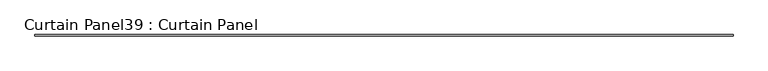
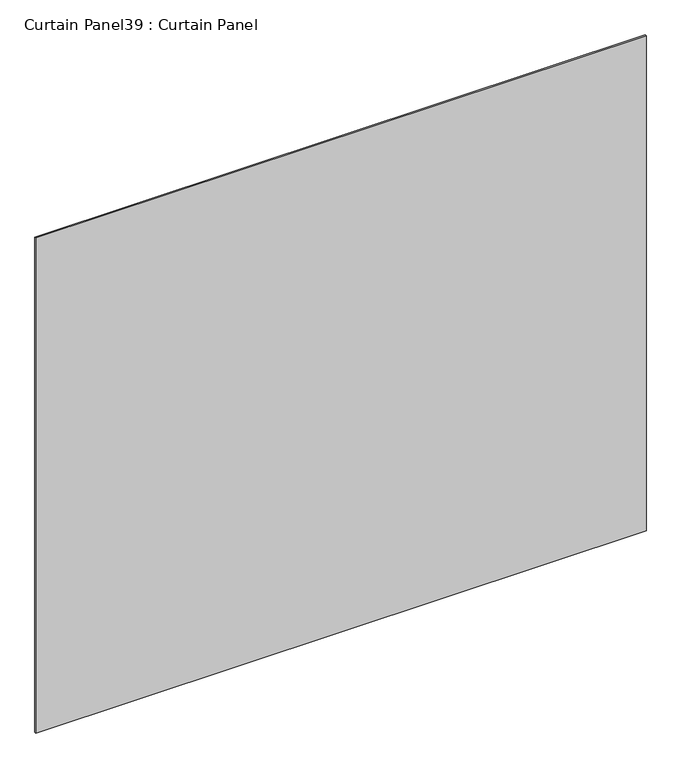
"""IFC4 building model written with IfcOpenShell, lengths in millimetres: plate geometry, Curtain Panel39 : Curtain Panel."""

from ifc_helpers import new_model, si_unit, frame, origin, place, context, project, spatial, polyline, outline, extrude, source, transform, mapped, element, save


def curtain_panel39_curtain_panel_eadf8d52(model_context):
    return source(origin(), model_context, "Body", "SweptSolid", [
        extrude(outline(polyline([(828631.4031374, 2099.7302787), (825078.5781374, 2099.7302787), (825078.5781374, 2106.0802787), (828631.4031374, 2106.0802787), (828631.4031374, 2099.7302787)])), frame((0.0, 0.0, 3136.8926964), z_axis=(0.0, 0.0, 1.0), x_axis=(1.0, 0.0, 0.0)), (0.0, 0.0, 1.0), 3048.0),
    ])


if __name__ == "__main__":
    model = new_model("IFC4")
    model_context = context("Model", 3, world=origin())
    ifc_project = project(units=[si_unit("LENGTHUNIT", "METRE", prefix="MILLI")], contexts=[model_context])
    site = spatial("IfcSite", under=ifc_project)
    building = spatial("IfcBuilding", under=site)
    placement = place(None, origin())
    curtain_panel39_curtain_panel_shape = curtain_panel39_curtain_panel_eadf8d52(model_context)
    element("IfcPlate", 1, ObjectType="Curtain Panel39 : Curtain Panel", at=placement, inside=building, context=model_context, shape_type="MappedRepresentation", body=[
        mapped(curtain_panel39_curtain_panel_shape, transform((0.0, 0.0, 0.0), x_axis=(1.0, 0.0, 0.0), y_axis=(0.0, 1.0, 0.0), z_axis=(0.0, 0.0, 1.0))),
    ])
    save(model, "model.ifc")
